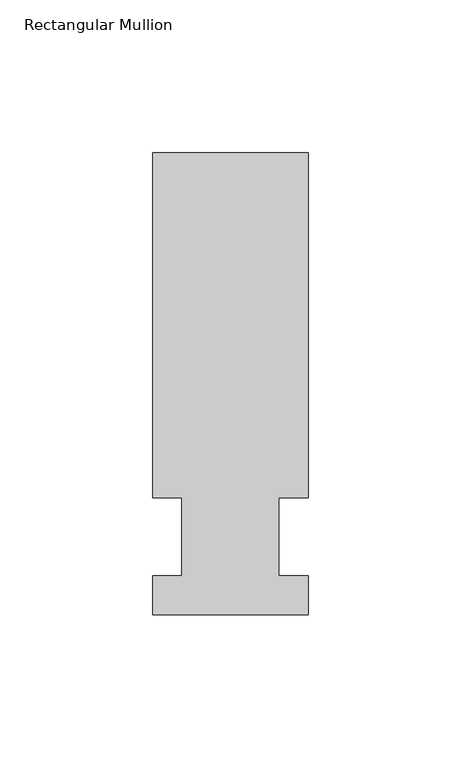
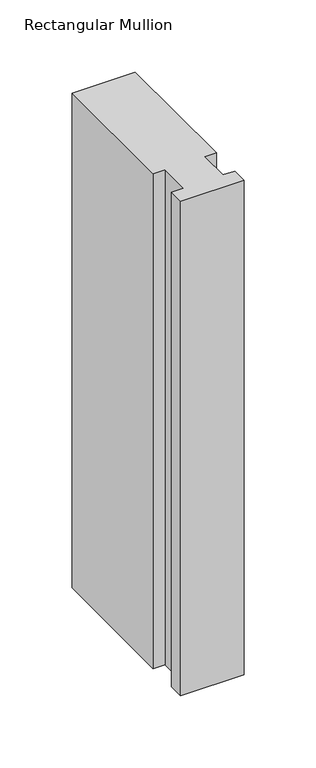
"""IFC4 building model written with IfcOpenShell, lengths in millimetres: member geometry, Rectangular Mullion."""

from ifc_helpers import new_model, si_unit, frame, origin, place, context, project, spatial, polyline, outline, extrude, source, transform, mapped, element, save


def rectangular_mullion_4626669d(model_context):
    return source(origin(), model_context, "Body", "SweptSolid", [
        extrude(outline(polyline([(-25.4, -25.5984375), (-25.4, -12.7), (-15.875, -12.7), (-15.875, 12.7), (-25.4, 12.7), (-25.4, 125.6109375), (25.4, 125.6109375), (25.4, 12.7), (15.875, 12.7), (15.875, -12.7), (25.4, -12.7), (25.4, -25.5984375), (-25.4, -25.5984375)])), frame((0.0, 0.0, -419.1), z_axis=(0.0, 0.0, 1.0), x_axis=(1.0, 0.0, 0.0)), (0.0, 0.0, 1.0), 419.1),
    ])


if __name__ == "__main__":
    model = new_model("IFC4")
    model_context = context("Model", 3, world=origin())
    ifc_project = project(units=[si_unit("LENGTHUNIT", "METRE", prefix="MILLI")], contexts=[model_context])
    site = spatial("IfcSite", under=ifc_project)
    building = spatial("IfcBuilding", under=site)
    placement = place(None, origin())
    rectangular_mullion_shape = rectangular_mullion_4626669d(model_context)
    element("IfcMember", 1, ObjectType="Rectangular Mullion", at=placement, inside=building, context=model_context, shape_type="MappedRepresentation", body=[
        mapped(rectangular_mullion_shape, transform((0.0, 0.0, 0.0), x_axis=(1.0, 0.0, 0.0), y_axis=(0.0, 1.0, 0.0), z_axis=(0.0, 0.0, 1.0))),
    ])
    save(model, "model.ifc")
